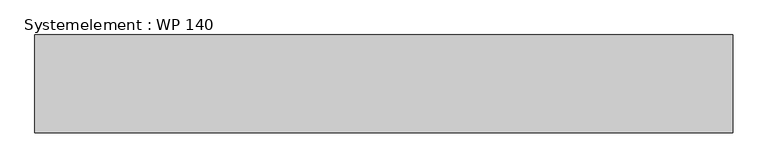
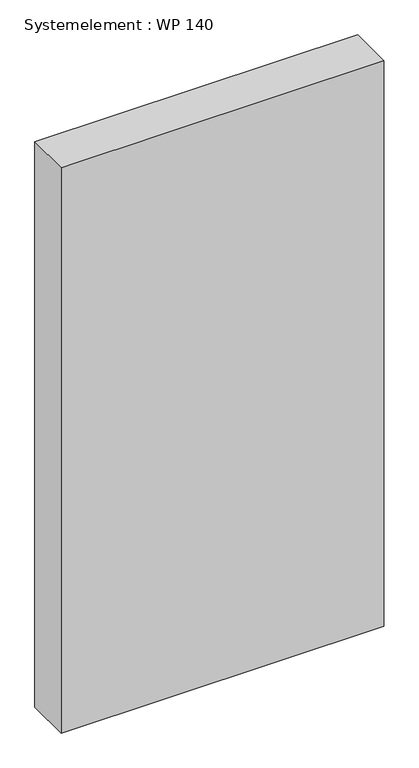
"""IFC4 building model written with IfcOpenShell, lengths in millimetres: plate geometry, Systemelement : WP 140."""

from ifc_helpers import new_model, si_unit, origin, origin_with_axes, place, context, project, spatial, polyline, outline, extrude, source, transform, mapped, element, save


def systemelement_wp_140_44c61cf1(model_context):
    return source(origin(), model_context, "Body", "SweptSolid", [
        extrude(outline(polyline([(500.0, -140.0), (-500.0, -140.0), (-500.0, 0.0), (500.0, 0.0), (500.0, -140.0)])), origin_with_axes(), (0.0, 0.0, 1.0), 1851.6147161),
    ])


if __name__ == "__main__":
    model = new_model("IFC4")
    model_context = context("Model", 3, world=origin())
    ifc_project = project(units=[si_unit("LENGTHUNIT", "METRE", prefix="MILLI")], contexts=[model_context])
    site = spatial("IfcSite", under=ifc_project)
    building = spatial("IfcBuilding", under=site)
    placement = place(None, origin())
    systemelement_wp_140_shape = systemelement_wp_140_44c61cf1(model_context)
    element("IfcPlate", 1, ObjectType="Systemelement : WP 140", at=placement, inside=building, context=model_context, shape_type="MappedRepresentation", body=[
        mapped(systemelement_wp_140_shape, transform((0.0, 0.0, 0.0), x_axis=(1.0, 0.0, 0.0), y_axis=(0.0, 1.0, 0.0), z_axis=(0.0, 0.0, 1.0))),
    ])
    save(model, "model.ifc")
